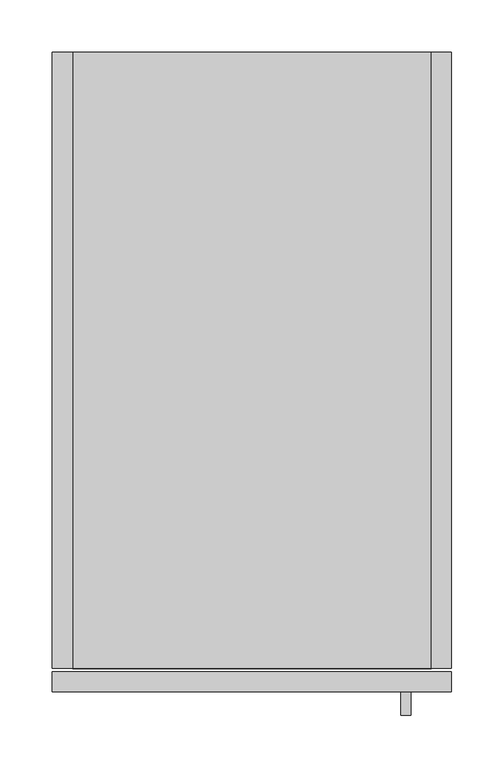
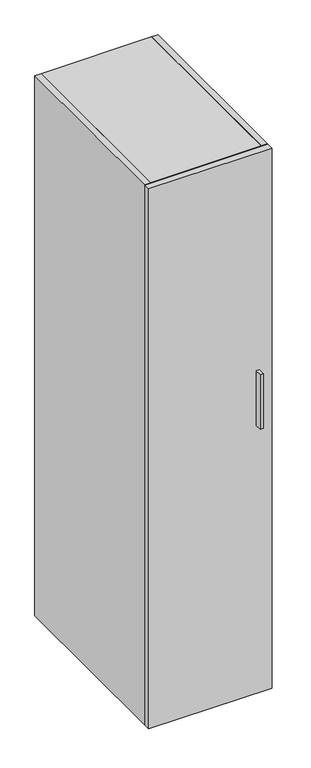
"""IFC4 building model written with IfcOpenShell, lengths in millimetres: furniture geometry."""

from ifc_helpers import new_model, si_unit, frame, origin, place, context, project, spatial, polyline, outline, extrude, source, transform, mapped, element, save


def furniture_4605c9d8(model_context):
    return source(origin(), model_context, "Body", "SweptSolid", [
        extrude(outline(polyline([(342.2638631, -632.079), (332.7388631, -632.079), (332.7388631, -609.854), (342.2638631, -609.854), (342.2638631, -632.079)])), frame((0.0, 0.0, 977.9000121), z_axis=(0.0, 0.0, 1.0), x_axis=(1.0, 0.0, 0.0)), (0.0, 0.0, 1.0), 177.8),
        extrude(outline(polyline([(19.304, 0.0), (19.304, -587.375), (0.0, -587.375), (0.0, 0.0), (19.304, 0.0)])), frame((0.0, 0.0, 101.6), z_axis=(0.0, 0.0, 1.0), x_axis=(1.0, 0.0, 0.0)), (0.0, 0.0, 1.0), 1765.3),
        extrude(outline(polyline([(381.0, 0.0), (381.0, -587.375), (361.696, -587.375), (361.696, 0.0), (381.0, 0.0)])), frame((0.0, 0.0, 101.6), z_axis=(0.0, 0.0, 1.0), x_axis=(1.0, 0.0, 0.0)), (0.0, 0.0, 1.0), 1765.3),
        extrude(outline(polyline([(361.696, -12.7), (361.696, -32.004), (19.304, -32.004), (19.304, -12.7), (361.696, -12.7)])), frame((0.0, 0.0, 101.6), z_axis=(0.0, 0.0, 1.0), x_axis=(1.0, 0.0, 0.0)), (0.0, 0.0, 1.0), 1745.996),
        extrude(outline(polyline([(361.696, -587.375), (19.304, -587.375), (19.304, -32.004), (361.696, -32.004), (361.696, -587.375)])), frame((0.0, 0.0, 101.6), z_axis=(0.0, 0.0, 1.0), x_axis=(1.0, 0.0, 0.0)), (0.0, 0.0, 1.0), 19.304),
        extrude(outline(polyline([(361.696, -587.375), (19.304, -587.375), (19.304, 0.0), (361.696, 0.0), (361.696, -587.375)])), frame((0.0, 0.0, 1847.596), z_axis=(0.0, 0.0, 1.0), x_axis=(1.0, 0.0, 0.0)), (0.0, 0.0, 1.0), 19.304),
        extrude(outline(polyline([(381.0, -609.854), (0.0, -609.854), (0.0, -590.55), (381.0, -590.55), (381.0, -609.854)])), frame((0.0, 0.0, 101.6), z_axis=(0.0, 0.0, 1.0), x_axis=(1.0, 0.0, 0.0)), (0.0, 0.0, 1.0), 1765.3),
    ])


if __name__ == "__main__":
    model = new_model("IFC4")
    model_context = context("Model", 3, world=origin())
    ifc_project = project(units=[si_unit("LENGTHUNIT", "METRE", prefix="MILLI")], contexts=[model_context])
    site = spatial("IfcSite", under=ifc_project)
    building = spatial("IfcBuilding", under=site)
    placement = place(None, origin())
    furniture_shape = furniture_4605c9d8(model_context)
    element("IfcFurniture", 1, at=placement, inside=building, context=model_context, shape_type="MappedRepresentation", body=[
        mapped(furniture_shape, transform((0.0, 0.0, 0.0), x_axis=(1.0, 0.0, 0.0), y_axis=(0.0, 1.0, 0.0), z_axis=(0.0, 0.0, 1.0))),
    ])
    save(model, "model.ifc")
